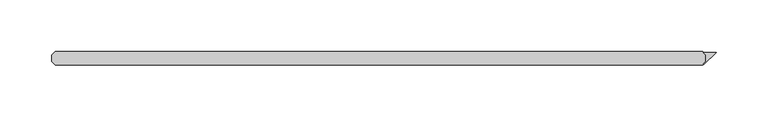
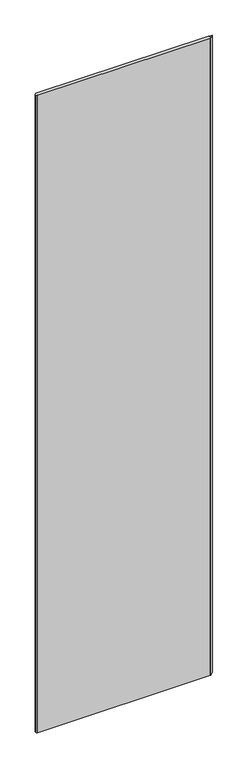
"""IFC4 building model written with IfcOpenShell, lengths in millimetres: plate geometry."""

from ifc_helpers import new_model, si_unit, origin, origin_with_axes, place, context, project, spatial, polyline, outline, extrude, source, transform, mapped, element, save


def plate_d1afcc2b(model_context):
    return source(origin(), model_context, "Body", "SweptSolid", [
        extrude(outline(polyline([(312.805593, 3.175), (310.424343, 5.55625), (322.659375, 5.55625), (310.9433699, -6.1597551), (310.3821039, -5.5984891), (312.805593, -3.175), (312.805593, 3.175)])), origin_with_axes(), (0.0, 0.0, 1.0), 2427.1914267),
        extrude(outline(polyline([(309.630593, 6.35), (312.805593, 3.175), (312.805593, -3.175), (309.630593, -6.35), (-313.928125, -6.35), (-317.103125, -3.175), (-317.103125, 3.175), (-313.928125, 6.35), (309.630593, 6.35)])), origin_with_axes(), (0.0, 0.0, 1.0), 2427.1914267),
    ])


if __name__ == "__main__":
    model = new_model("IFC4")
    model_context = context("Model", 3, world=origin())
    ifc_project = project(units=[si_unit("LENGTHUNIT", "METRE", prefix="MILLI")], contexts=[model_context])
    site = spatial("IfcSite", under=ifc_project)
    building = spatial("IfcBuilding", under=site)
    placement = place(None, origin())
    plate_shape = plate_d1afcc2b(model_context)
    element("IfcPlate", 1, at=placement, inside=building, context=model_context, shape_type="MappedRepresentation", body=[
        mapped(plate_shape, transform((0.0, 0.0, 0.0), x_axis=(1.0, 0.0, 0.0), y_axis=(0.0, 1.0, 0.0), z_axis=(0.0, 0.0, 1.0))),
    ])
    save(model, "model.ifc")
